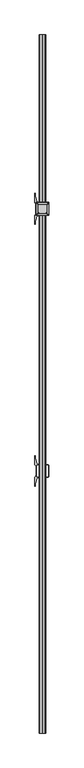
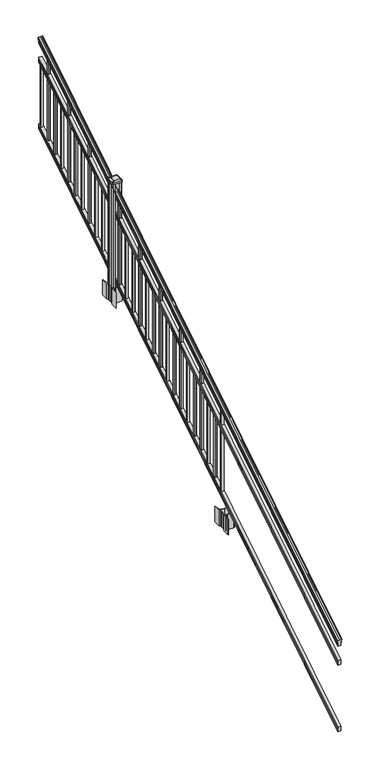
"""IFC4 building model written with IfcOpenShell, lengths in millimetres: railing geometry."""

import ifcopenshell
import ifcopenshell.guid

model = None  # the IFC model being written
_history = None  # IfcOwnerHistory: only IFC2X3 demands one
_inside = {}  # id of a spatial element -> (the spatial element, [elements in it])
_under = {}  # id of a project, library or spatial element -> (it, [spatial elements below it])
_declared = {}  # id of a project -> (the project, [libraries it declares])
_typed = {}  # id of a type object -> (the type object, [elements of that type])
_made_of = {}  # id of a material, layer set ... -> (it, [elements and type objects made of it])


def new_model(schema):
    """Start an empty IFC model of exactly this schema.

    Asked for "IFC4X3", IfcOpenShell would pick the latest addendum, in which some entities
    have other attributes; the version numbers below select the first issue.
    IFC2X3 requires an IfcOwnerHistory on every rooted entity: one is made here for all.
    """
    global model, _history
    if schema == "IFC4X3":
        model = ifcopenshell.file(schema_version=(4, 3, 0, 0))
    else:
        model = ifcopenshell.file(schema=schema)
    _inside.clear()
    _under.clear()
    _declared.clear()
    _typed.clear()
    _made_of.clear()
    _history = None
    if model.schema == "IFC2X3":
        org = make("IfcOrganization", Name="unknown")
        user = make(
            "IfcPersonAndOrganization",
            ThePerson=make("IfcPerson", FamilyName="unknown"),
            TheOrganization=org,
        )
        app = make(
            "IfcApplication",
            ApplicationDeveloper=org,
            Version="unknown",
            ApplicationFullName="unknown",
            ApplicationIdentifier="unknown",
        )
        _history = make(
            "IfcOwnerHistory",
            OwningUser=user,
            OwningApplication=app,
            ChangeAction="ADDED",
            CreationDate=0,
        )
    return model


def make(cls, **values):
    """One entity of the class cls with the attributes given. An attribute that is None is left unset."""
    return model.create_entity(
        cls, **{name: value for name, value in values.items() if value is not None}
    )


def rooted(cls, **values):
    """An entity with a GlobalId (a new one), such as an element, a storey or a relation."""
    return make(cls, GlobalId=ifcopenshell.guid.new(), OwnerHistory=_history, **values)


def si_unit(unit_type, name, prefix=None):
    """IfcSIUnit, for example si_unit("LENGTHUNIT", "METRE", prefix="MILLI")."""
    return make("IfcSIUnit", UnitType=unit_type, Prefix=prefix, Name=name)


def assignment(units):
    """IfcUnitAssignment: the units of a project."""
    return None if units is None else make("IfcUnitAssignment", Units=units)


def point(xyz):
    """IfcCartesianPoint."""
    return None if xyz is None else make("IfcCartesianPoint", Coordinates=xyz)


def direction(xyz):
    """IfcDirection."""
    return None if xyz is None else make("IfcDirection", DirectionRatios=xyz)


def frame(location, z_axis=None, x_axis=None):
    """IfcAxis2Placement3D, a coordinate frame: its origin and axes. An axis left out is left unset."""
    return make(
        "IfcAxis2Placement3D",
        Location=point(location),
        Axis=direction(z_axis),
        RefDirection=direction(x_axis),
    )


def frame_2d(location, x_axis=None):
    """IfcAxis2Placement2D, a coordinate frame in the plane: its origin and x axis."""
    return make(
        "IfcAxis2Placement2D", Location=point(location), RefDirection=direction(x_axis)
    )


def origin():
    """The frame at (0, 0, 0) with its axes left unset."""
    return frame((0.0, 0.0, 0.0))


def place(relative_to, where):
    """IfcLocalPlacement: puts the frame where relative to a parent placement (None: the world)."""
    return make(
        "IfcLocalPlacement", PlacementRelTo=relative_to, RelativePlacement=where
    )


def context(
    kind, dimensions, precision=None, world=None, true_north=None, identifier=None
):
    """IfcGeometricRepresentationContext, for example the 3D "Model" context."""
    return make(
        "IfcGeometricRepresentationContext",
        ContextIdentifier=identifier,
        ContextType=kind,
        CoordinateSpaceDimension=dimensions,
        Precision=precision,
        WorldCoordinateSystem=world,
        TrueNorth=true_north,
    )


def project(units=None, contexts=None):
    """IfcProject with its units and contexts."""
    return rooted(
        "IfcProject",
        Name="project",
        RepresentationContexts=contexts,
        UnitsInContext=assignment(units),
    )


def spatial(cls, under=None, at=None, **own):
    """A site, building, storey or space (cls), placed at a placement, below another one or the project."""
    s = rooted(cls, ObjectPlacement=at, **own)
    if under is not None:
        _under.setdefault(under.id(), (under, []))[1].append(s)
    return s


def polyline(points):
    """IfcPolyline through the points."""
    return make("IfcPolyline", Points=[point(p) for p in points])


def circle_curve(where, radius):
    """IfcCircle in the frame where."""
    return make("IfcCircle", Position=where, Radius=radius)


def ellipse_curve(where, semi_axis1, semi_axis2):
    """IfcEllipse in the frame where."""
    return make(
        "IfcEllipse", Position=where, SemiAxis1=semi_axis1, SemiAxis2=semi_axis2
    )


def trimmed(basis, trim1, trim2, sense, master):
    """IfcTrimmedCurve: the piece of a basis curve between two trims."""
    return make(
        "IfcTrimmedCurve",
        BasisCurve=basis,
        Trim1=trim1,
        Trim2=trim2,
        SenseAgreement=sense,
        MasterRepresentation=master,
    )


def segment(curve, same_sense, transition):
    """IfcCompositeCurveSegment."""
    return make(
        "IfcCompositeCurveSegment",
        Transition=transition,
        SameSense=same_sense,
        ParentCurve=curve,
    )


def composite_curve(segments, self_intersect=None):
    """IfcCompositeCurve: segments joined end to end."""
    return make("IfcCompositeCurve", Segments=segments, SelfIntersect=self_intersect)


def outline(outer, holes=None, kind="AREA"):
    """IfcArbitraryClosedProfileDef: a profile drawn as a closed curve; with holes, ...WithVoids."""
    if holes is None:
        return make("IfcArbitraryClosedProfileDef", ProfileType=kind, OuterCurve=outer)
    return make(
        "IfcArbitraryProfileDefWithVoids",
        ProfileType=kind,
        OuterCurve=outer,
        InnerCurves=holes,
    )


def extrude(swept, where, along, depth):
    """IfcExtrudedAreaSolid: the profile swept, set in the frame where, extruded along a direction by depth."""
    return make(
        "IfcExtrudedAreaSolid",
        SweptArea=swept,
        Position=where,
        ExtrudedDirection=direction(along),
        Depth=depth,
    )


def faces_of(points, faces, orient=None, outer=None):
    """IfcFace entities. A face is a list of loops; a loop is a list of indices into points, from 0.

    orient and outer hold one flag for each loop. By default every Orientation is true, the
    first loop of a face is its IfcFaceOuterBound and the others are IfcFaceBound.
    """
    made = []
    for i, loops in enumerate(faces):
        bounds = []
        for j, loop in enumerate(loops):
            is_outer = j == 0 if outer is None else outer[i][j]
            bounds.append(
                make(
                    "IfcFaceOuterBound" if is_outer else "IfcFaceBound",
                    Bound=make("IfcPolyLoop", Polygon=[points[k] for k in loop]),
                    Orientation=True if orient is None else orient[i][j],
                )
            )
        made.append(make("IfcFace", Bounds=bounds))
    return made


def faceted_brep(points, faces, orient=None, outer=None, voids=None):
    """IfcFacetedBrep: a solid bounded by flat faces; with voids (closed shells), ...WithVoids."""
    shared = [point(p) for p in points]
    hull = make("IfcClosedShell", CfsFaces=faces_of(shared, faces, orient, outer))
    if voids is None:
        return make("IfcFacetedBrep", Outer=hull)
    return make(
        "IfcFacetedBrepWithVoids",
        Outer=hull,
        Voids=[
            make(cls, CfsFaces=faces_of(shared, fs, o, b)) for cls, fs, o, b in voids
        ],
    )


def shape(context_of_items, identifier, shape_type, items):
    """IfcShapeRepresentation: the items that make up one representation, for example the "Body"."""
    return make(
        "IfcShapeRepresentation",
        ContextOfItems=context_of_items,
        RepresentationIdentifier=identifier,
        RepresentationType=shape_type,
        Items=items,
    )


def source(mapping_origin, context_of_items, identifier, shape_type, items):
    """IfcRepresentationMap: a shape defined once, which mapped items show again and again."""
    return make(
        "IfcRepresentationMap",
        MappingOrigin=mapping_origin,
        MappedRepresentation=shape(context_of_items, identifier, shape_type, items),
    )


def transform(
    local_origin,
    x_axis=None,
    y_axis=None,
    z_axis=None,
    scale=None,
    scale2=None,
    scale3=None,
    uniform=True,
):
    """IfcCartesianTransformationOperator3D, or its non-uniform kind. x_axis, y_axis, z_axis: its Axis1, 2, 3."""
    if uniform:
        return make(
            "IfcCartesianTransformationOperator3D",
            Axis1=direction(x_axis),
            Axis2=direction(y_axis),
            LocalOrigin=point(local_origin),
            Scale=scale,
            Axis3=direction(z_axis),
        )
    return make(
        "IfcCartesianTransformationOperator3DnonUniform",
        Axis1=direction(x_axis),
        Axis2=direction(y_axis),
        LocalOrigin=point(local_origin),
        Scale=scale,
        Axis3=direction(z_axis),
        Scale2=scale2,
        Scale3=scale3,
    )


def mapped(mapping_source, mapping_target):
    """IfcMappedItem: shows the shape of a source again, moved by a transform."""
    return make(
        "IfcMappedItem", MappingSource=mapping_source, MappingTarget=mapping_target
    )


def made_of(thing, what):
    """Note that an element or type object is made of a material, layer set ...; save() writes the relation."""
    if what is not None:
        _made_of.setdefault(what.id(), (what, []))[1].append(thing)
    return thing


def element(
    cls,
    number,
    at=None,
    inside=None,
    cuts=None,
    type_object=None,
    material=None,
    context=None,
    identifier="Body",
    shape_type=None,
    held_by="IfcProductDefinitionShape",
    body=None,
    shapes=None,
    **own,
):
    """One element of the class cls, such as IfcWall. Its Tag is "e" and its number.

    at: its placement. inside: the storey or other place that contains it. cuts: it is an
    opening in that element (IfcRelVoidsElement). A single representation is given by context,
    identifier, shape_type and body (its items); several are given by shapes. held_by: the class
    of the entity that holds the representations. save() writes the other relations.
    """
    e = rooted(cls, Tag="e%d" % number, ObjectPlacement=at, **own)
    if body is not None:
        shapes = [shape(context, identifier, shape_type, body)]
    if shapes is not None:
        e.Representation = make(held_by, Representations=shapes)
    if inside is not None:
        _inside.setdefault(inside.id(), (inside, []))[1].append(e)
    if cuts is not None:
        rooted(
            "IfcRelVoidsElement", RelatingBuildingElement=cuts, RelatedOpeningElement=e
        )
    if type_object is not None:
        _typed.setdefault(type_object.id(), (type_object, []))[1].append(e)
    return made_of(e, material)


def aggregate(whole, parts):
    """IfcRelAggregates: a whole, such as a stair, and the parts it consists of."""
    return rooted("IfcRelAggregates", RelatingObject=whole, RelatedObjects=parts)


def save(model, path):
    """Write the relations noted so far, then the file.

    IfcRelAggregates (storeys below a building ...), IfcRelContainedInSpatialStructure (elements
    in a storey), IfcRelDefinesByType, IfcRelAssociatesMaterial and IfcRelDeclares: one each for
    every whole, place, type object, material and project.
    """
    for whole, parts in _under.values():
        aggregate(whole, parts)
    for where, things in _inside.values():
        rooted(
            "IfcRelContainedInSpatialStructure",
            RelatedElements=things,
            RelatingStructure=where,
        )
    for kind, things in _typed.values():
        rooted("IfcRelDefinesByType", RelatedObjects=things, RelatingType=kind)
    for what, things in _made_of.values():
        rooted("IfcRelAssociatesMaterial", RelatedObjects=things, RelatingMaterial=what)
    for by, libraries in _declared.values():
        rooted("IfcRelDeclares", RelatingContext=by, RelatedDefinitions=libraries)
    model.write(path)


def plane_surface(at):
    """IfcPlane: the flat surface through the origin of the frame at, square to its z axis."""
    return make("IfcPlane", Position=at)


def cylinder_surface(at, radius):
    """IfcCylindricalSurface: all points at the distance radius from the z axis of the frame at."""
    return make("IfcCylindricalSurface", Position=at, Radius=radius)


def revolved_surface(curve, axis_point, axis_direction):
    """IfcSurfaceOfRevolution: the curve turned about the line through axis_point along axis_direction."""
    return make(
        "IfcSurfaceOfRevolution",
        SweptCurve=make("IfcArbitraryOpenProfileDef", ProfileType="CURVE", Curve=curve),
        AxisPosition=make("IfcAxis1Placement", Location=point(axis_point), Axis=direction(axis_direction)),
    )


def extruded_surface(curve, direction_of_extrusion, depth):
    """IfcSurfaceOfLinearExtrusion: the curve pushed along a direction by depth."""
    return make(
        "IfcSurfaceOfLinearExtrusion",
        SweptCurve=make("IfcArbitraryOpenProfileDef", ProfileType="CURVE", Curve=curve),
        ExtrudedDirection=direction(direction_of_extrusion),
        Depth=depth,
    )


def advanced_brep(points, edges, surfaces, faces):
    """IfcAdvancedBrep: a solid bounded by faces that lie on surfaces and meet in shared edges.

    An edge is (start, end): straight between two places in points (the first is 0);
    or (start, end, curve); or (start, end, curve, False) where it runs against its curve.
    A face is (place in surfaces, loops), or (place, loops, False) where it looks against
    its surface's normal. A loop lists edges by number (the first is 1), with a minus sign
    where the edge is run from its end to its start. The first loop is the outer one.
    """
    corners = [point(p) for p in points]
    vertices = [make("IfcVertexPoint", VertexGeometry=c) for c in corners]
    made = []
    for start, end, *more in edges:
        made.append(
            make(
                "IfcEdgeCurve",
                EdgeStart=vertices[start],
                EdgeEnd=vertices[end],
                EdgeGeometry=more[0] if more else make("IfcPolyline", Points=[corners[start], corners[end]]),
                SameSense=more[1] if len(more) > 1 else True,
            )
        )
    hull = []
    for where, loops, *sense in faces:
        bounds = []
        for j, loop in enumerate(loops):
            ring = [make("IfcOrientedEdge", EdgeElement=made[abs(k) - 1], Orientation=k > 0) for k in loop]
            bounds.append(
                make(
                    "IfcFaceOuterBound" if j == 0 else "IfcFaceBound",
                    Bound=make("IfcEdgeLoop", EdgeList=ring),
                    Orientation=True,
                )
            )
        hull.append(make("IfcAdvancedFace", Bounds=bounds, FaceSurface=surfaces[where], SameSense=sense[0] if sense else True))
    return make("IfcAdvancedBrep", Outer=make("IfcClosedShell", CfsFaces=hull))


def railing_641bce52(model_context):
    return source(origin(), model_context, "Body", "SolidModel", [
        advanced_brep(
        [(6977.4704765, -115957.2628453, 1133.2070492), (6977.4704765, -115957.2628453, 1135.4335658), (6978.6006628, -115957.2628453, 1137.2758543), (6978.6006628, -115957.2628453, 1145.7876358), (6977.9514064, -115957.2628453, 1148.6572588), (6980.4514064, -115957.2628453, 1153.7635509), (6981.8607489, -115957.2628453, 1155.7442021), (6982.2626479, -115957.2628453, 1157.0469579), (6982.2626478, -115957.2628453, 1158.6274846), (6980.7092005, -115957.2628453, 1160.4593836), (6960.0376478, -115957.2628453, 1160.4593836), (6939.366095, -115957.2628453, 1160.4593836), (6937.8126478, -115957.2628453, 1158.6274846), (6937.8126478, -115957.2628453, 1157.0469579), (6938.2145467, -115957.2628453, 1155.7442021), (6939.6238891, -115957.2628453, 1153.7635509), (6942.1238891, -115957.2628453, 1148.6572588), (6941.4746327, -115957.2628453, 1145.7876358), (6941.4746327, -115957.2628453, 1137.2758543), (6942.604819, -115957.2628453, 1135.4335658), (6942.604819, -115957.2628453, 1133.2070492), (6945.1786478, -115957.2628453, 1133.2070492), (6945.1786478, -115957.2628453, 1120.825537), (6944.1626478, -115957.2628453, 1119.6274214), (6944.1626478, -115957.2628453, 1104.9), (6975.9126478, -115957.2628453, 1104.9), (6975.9126478, -115957.2628453, 1119.441318), (6974.8966478, -115957.2628453, 1120.6394336), (6974.8966478, -115957.2628453, 1133.2070492), (6977.4704765, -111080.4628453, 4181.2070492), (6974.8966478, -111080.4628453, 4181.2070492), (6974.8966478, -111080.4628453, 4168.6394336), (6975.9126478, -111080.4628453, 4167.441318), (6975.9126478, -111080.4628453, 4152.9), (6944.1626478, -111080.4628453, 4152.9), (6944.1626478, -111080.4628453, 4167.6274214), (6945.1786478, -111080.4628453, 4168.825537), (6945.1786478, -111080.4628453, 4181.2070492), (6942.604819, -111080.4628453, 4181.2070492), (6942.604819, -111080.4628453, 4183.4335658), (6941.4746327, -111080.4628453, 4185.2758543), (6941.4746327, -111080.4628453, 4193.7876358), (6942.1238891, -111080.4628453, 4196.6572588), (6939.6238891, -111080.4628453, 4201.7635509), (6938.2145467, -111080.4628453, 4203.7442021), (6937.8126477, -111080.4628453, 4205.0469579), (6937.8126478, -111080.4628453, 4206.6274846), (6939.366095, -111080.4628453, 4208.4593836), (6960.0376478, -111080.4628453, 4208.4593836), (6980.7092005, -111080.4628453, 4208.4593836), (6982.2626478, -111080.4628453, 4206.6274846), (6982.2626478, -111080.4628453, 4205.0469579), (6981.8607489, -111080.4628453, 4203.7442021), (6980.4514064, -111080.4628453, 4201.7635509), (6977.9514064, -111080.4628453, 4196.6572588), (6978.6006628, -111080.4628453, 4193.7876358), (6978.6006628, -111080.4628453, 4185.2758543), (6977.4704765, -111080.4628453, 4183.4335658)],
        [
            (0, 1),
            (1, 2, ellipse_curve(frame((6971.1557232, -115957.2628453, 1142.2239405), z_axis=(0.0, -1.0, 0.0), x_axis=(0.0, 0.0, -1.0)), 10.0777926, 8.545951)),
            (2, 3, ellipse_curve(frame((6971.5927862, -115957.2628453, 1141.5317451), z_axis=(0.0, -1.0, 0.0), x_axis=(0.0, 0.0, -1.0)), 9.2955186, 7.882584)),
            (3, 4, ellipse_curve(frame((6982.1061103, -115957.2628453, 1148.4275077), z_axis=(0.0, 1.0, 0.0), x_axis=(0.0, 0.0, 1.0)), 4.9048088, 4.1592695)),
            (4, 5, ellipse_curve(frame((6983.3934169, -115957.2628453, 1148.3563208), z_axis=(0.0, 1.0, 0.0), x_axis=(0.0, 0.0, 1.0)), 6.4245301, 5.4479907)),
            (5, 6, ellipse_curve(frame((6982.1602584, -115957.2628453, 1153.7602333), z_axis=(0.0, 1.0, 0.0), x_axis=(0.0, 0.0, 1.0)), 2.0151625, 1.7088543)),
            (6, 7, ellipse_curve(frame((6980.5433583, -115957.2628453, 1157.0469579), z_axis=(0.0, -1.0, 0.0), x_axis=(0.0, 0.0, -1.0)), 2.0274681, 1.7192895)),
            (7, 8),
            (8, 9, ellipse_curve(frame((6980.7092005, -115957.2628453, 1158.6274846), z_axis=(0.0, -1.0, 0.0), x_axis=(0.0, 0.0, -1.0)), 1.831899, 1.5534472)),
            (9, 10),
            (10, 11),
            (11, 12, ellipse_curve(frame((6939.366095, -115957.2628453, 1158.6274846), z_axis=(0.0, -1.0, 0.0), x_axis=(0.0, 0.0, -1.0)), 1.831899, 1.5534472)),
            (12, 13),
            (13, 14, ellipse_curve(frame((6939.5319372, -115957.2628453, 1157.0469579), z_axis=(0.0, -1.0, 0.0), x_axis=(0.0, 0.0, -1.0)), 2.0274681, 1.7192895)),
            (14, 15, ellipse_curve(frame((6937.9150371, -115957.2628453, 1153.7602333), z_axis=(0.0, 1.0, 0.0), x_axis=(0.0, 0.0, 1.0)), 2.0151625, 1.7088543)),
            (15, 16, ellipse_curve(frame((6936.6818787, -115957.2628453, 1148.3563208), z_axis=(0.0, 1.0, 0.0), x_axis=(0.0, 0.0, 1.0)), 6.4245301, 5.4479907)),
            (16, 17, ellipse_curve(frame((6937.9691852, -115957.2628453, 1148.4275077), z_axis=(0.0, 1.0, 0.0), x_axis=(0.0, 0.0, 1.0)), 4.9048088, 4.1592695)),
            (17, 18, ellipse_curve(frame((6948.4825093, -115957.2628453, 1141.5317451), z_axis=(0.0, -1.0, 0.0), x_axis=(0.0, 0.0, -1.0)), 9.2955186, 7.882584)),
            (18, 19, ellipse_curve(frame((6948.9195723, -115957.2628453, 1142.2239405), z_axis=(0.0, -1.0, 0.0), x_axis=(0.0, 0.0, -1.0)), 10.0777926, 8.545951)),
            (19, 20),
            (20, 21, ellipse_curve(frame((6943.8917334, -115957.2628453, 1133.2070492), z_axis=(0.0, -1.0, 0.0), x_axis=(0.0, 0.0, -1.0)), 1.5175907, 1.2869144)),
            (21, 22),
            (22, 23),
            (23, 24),
            (24, 25),
            (25, 26),
            (26, 27),
            (27, 28),
            (28, 0, ellipse_curve(frame((6976.1835621, -115957.2628453, 1133.2070492), z_axis=(0.0, -1.0, 0.0), x_axis=(0.0, 0.0, -1.0)), 1.5175907, 1.2869144)),
            (29, 30, ellipse_curve(frame((6976.1835621, -111080.4628453, 4181.2070492), z_axis=(0.0, 1.0, 0.0), x_axis=(0.0, 0.0, -1.0)), 1.5175907, 1.2869144)),
            (30, 31),
            (31, 32),
            (32, 33),
            (33, 34),
            (34, 35),
            (35, 36),
            (36, 37),
            (37, 38, ellipse_curve(frame((6943.8917334, -111080.4628453, 4181.2070492), z_axis=(0.0, 1.0, 0.0), x_axis=(0.0, 0.0, -1.0)), 1.5175907, 1.2869144)),
            (38, 39),
            (39, 40, ellipse_curve(frame((6948.9195723, -111080.4628453, 4190.2239405), z_axis=(0.0, 1.0, 0.0), x_axis=(0.0, 0.0, -1.0)), 10.0777926, 8.545951)),
            (40, 41, ellipse_curve(frame((6948.4825093, -111080.4628453, 4189.5317451), z_axis=(0.0, 1.0, 0.0), x_axis=(0.0, 0.0, -1.0)), 9.2955186, 7.882584)),
            (41, 42, ellipse_curve(frame((6937.9691852, -111080.4628453, 4196.4275077), z_axis=(0.0, -1.0, 0.0), x_axis=(0.0, 0.0, 1.0)), 4.9048088, 4.1592695)),
            (42, 43, ellipse_curve(frame((6936.6818787, -111080.4628453, 4196.3563208), z_axis=(0.0, -1.0, 0.0), x_axis=(0.0, 0.0, 1.0)), 6.4245301, 5.4479907)),
            (43, 44, ellipse_curve(frame((6937.9150371, -111080.4628453, 4201.7602333), z_axis=(0.0, -1.0, 0.0), x_axis=(0.0, 0.0, 1.0)), 2.0151625, 1.7088543)),
            (44, 45, ellipse_curve(frame((6939.5319372, -111080.4628453, 4205.0469579), z_axis=(0.0, 1.0, 0.0), x_axis=(0.0, 0.0, -1.0)), 2.0274681, 1.7192895)),
            (45, 46),
            (46, 47, ellipse_curve(frame((6939.366095, -111080.4628453, 4206.6274846), z_axis=(0.0, 1.0, 0.0), x_axis=(0.0, 0.0, -1.0)), 1.831899, 1.5534472)),
            (47, 48),
            (48, 49),
            (49, 50, ellipse_curve(frame((6980.7092005, -111080.4628453, 4206.6274846), z_axis=(0.0, 1.0, 0.0), x_axis=(0.0, 0.0, -1.0)), 1.831899, 1.5534472)),
            (50, 51),
            (51, 52, ellipse_curve(frame((6980.5433583, -111080.4628453, 4205.0469579), z_axis=(0.0, 1.0, 0.0), x_axis=(0.0, 0.0, -1.0)), 2.0274681, 1.7192895)),
            (52, 53, ellipse_curve(frame((6982.1602584, -111080.4628453, 4201.7602333), z_axis=(0.0, -1.0, 0.0), x_axis=(0.0, 0.0, 1.0)), 2.0151625, 1.7088543)),
            (53, 54, ellipse_curve(frame((6983.3934169, -111080.4628453, 4196.3563208), z_axis=(0.0, -1.0, 0.0), x_axis=(0.0, 0.0, 1.0)), 6.4245301, 5.4479907)),
            (54, 55, ellipse_curve(frame((6982.1061103, -111080.4628453, 4196.4275077), z_axis=(0.0, -1.0, 0.0), x_axis=(0.0, 0.0, 1.0)), 4.9048088, 4.1592695)),
            (55, 56, ellipse_curve(frame((6971.5927862, -111080.4628453, 4189.5317451), z_axis=(0.0, 1.0, 0.0), x_axis=(0.0, 0.0, -1.0)), 9.2955186, 7.882584)),
            (56, 57, ellipse_curve(frame((6971.1557232, -111080.4628453, 4190.2239405), z_axis=(0.0, 1.0, 0.0), x_axis=(0.0, 0.0, -1.0)), 10.0777926, 8.545951)),
            (57, 29),
            (28, 30),
            (29, 0),
            (27, 31),
            (26, 32),
            (25, 33),
            (24, 34),
            (23, 35),
            (22, 36),
            (21, 37),
            (20, 38),
            (19, 39),
            (18, 40),
            (17, 41),
            (16, 42),
            (15, 43),
            (14, 44),
            (13, 45),
            (12, 46),
            (11, 47),
            (10, 48),
            (9, 49),
            (8, 50),
            (7, 51),
            (6, 52),
            (5, 53),
            (4, 54),
            (3, 55),
            (2, 56),
            (1, 57),
        ],
        [
            plane_surface(frame((6960.0376478, -115957.2628453, 1104.9), z_axis=(0.0, -1.0, 0.0), x_axis=(0.0, 0.0, 1.0))),
            plane_surface(frame((6960.0376478, -111080.4628453, 4152.9), z_axis=(0.0, 1.0, 0.0), x_axis=(0.0, 0.0, 1.0))),
            cylinder_surface(frame((6976.1835621, -115969.9851146, 1125.2556309), z_axis=(0.0, -0.8479983040051253, -0.5299989400031204), x_axis=(-1.0, 0.0, 0.0)), 1.2869144),
            plane_surface(frame((6974.8966478, -115957.2628453, 1120.6394336), z_axis=(1.0000000000000002, 0.0, 0.0), x_axis=(0.0, 0.8479983040051253, 0.5299989400031204))),
            plane_surface(frame((6975.9126478, -115957.2628453, 1119.441318), z_axis=(0.7071067811865389, -0.374765844497894, 0.5996253511967226), x_axis=(0.0, 0.8479983040051253, 0.5299989400031204))),
            plane_surface(frame((6975.9126478, -115957.2628453, 1104.9), z_axis=(1.0, 0.0, 0.0), x_axis=(0.0, 0.8479983040051252, 0.5299989400031204))),
            plane_surface(frame((6944.1626478, -115957.2628453, 1104.9), z_axis=(0.0, 0.5299989400031204, -0.8479983040051252), x_axis=(0.0, 0.8479983040051252, 0.5299989400031204))),
            plane_surface(frame((6944.1626478, -115957.2628453, 1119.6274214), z_axis=(-1.0000000000000002, 0.0, 0.0), x_axis=(0.0, 0.8479983040051253, 0.5299989400031204))),
            plane_surface(frame((6945.1786478, -115957.2628453, 1120.825537), z_axis=(-0.7071067811865437, -0.37476584449788986, 0.5996253511967191), x_axis=(0.0, 0.8479983040051252, 0.5299989400031204))),
            plane_surface(frame((6945.1786478, -115957.2628453, 1133.2070492), z_axis=(-1.0, 0.0, 0.0), x_axis=(0.0, 0.8479983040051252, 0.5299989400031204))),
            cylinder_surface(frame((6943.8917334, -115969.9851146, 1125.2556309), z_axis=(0.0, -0.8479983040051253, -0.5299989400031204), x_axis=(1.0, 0.0, 0.0)), 1.2869144),
            plane_surface(frame((6942.604819, -115957.2628453, 1135.4335658), z_axis=(-1.0, 0.0, 0.0), x_axis=(0.0, 0.8479983040051252, 0.5299989400031204))),
            cylinder_surface(frame((6948.9195723, -115974.03765, 1131.7396876), z_axis=(0.0, -0.8479983040051253, -0.5299989400031204), x_axis=(1.0, 0.0, 0.0)), 8.545951),
            cylinder_surface(frame((6948.4825093, -115973.7265509, 1131.241929), z_axis=(0.0, -0.8479983040051253, -0.5299989400031204), x_axis=(1.0, 0.0, 0.0)), 7.882584),
            revolved_surface(polyline([(6942.1284547, -111078.25843685034, 4197.805262980552), (6942.1284547, -115959.46725374945, 1147.0497524190953)]), (6937.9691852, -115976.8257701, 1136.2006797), (0.0, 0.8479983040051253, 0.5299989400031204)),
            revolved_surface(polyline([(6942.129869400001, -111077.57541603575, 4198.160964077185), (6942.129869400001, -115960.15027455281, 1146.551677504493)]), (6936.6818787, -115976.793776, 1136.1494891), (0.0, 0.8479983040051253, 0.5299989400031204)),
            revolved_surface(polyline([(6939.6238914, -111079.55715429978, 4202.326290199651), (6939.6238914, -115958.16853632247, 1153.1941764359478)]), (6937.9150371, -115979.2225007, 1140.0354487), (0.0, 0.8479983040051253, 0.5299989400031204)),
            cylinder_surface(frame((6939.5319372, -115980.6996803, 1142.398936), z_axis=(0.0, -0.8479983040051253, -0.5299989400031204), x_axis=(1.0, 0.0, 0.0)), 1.7192895),
            plane_surface(frame((6937.8126478, -115957.2628453, 1158.6274846), z_axis=(-1.0, 0.0, 0.0), x_axis=(0.0, 0.8479983040051252, 0.5299989400031204))),
            cylinder_surface(frame((6939.366095, -115981.4100294, 1143.5354945), z_axis=(0.0, -0.8479983040051253, -0.5299989400031204), x_axis=(1.0, 0.0, 0.0)), 1.5534472),
            plane_surface(frame((6960.0376478, -115957.2628453, 1160.4593836), z_axis=(0.0, -0.5299989400031204, 0.8479983040051252), x_axis=(0.0, 0.8479983040051252, 0.5299989400031204))),
            plane_surface(frame((6980.7092005, -115957.2628453, 1160.4593836), z_axis=(0.0, -0.5299989400031204, 0.8479983040051252), x_axis=(0.0, 0.8479983040051252, 0.5299989400031204))),
            cylinder_surface(frame((6980.7092005, -115981.4100294, 1143.5354945), z_axis=(0.0, -0.8479983040051253, -0.5299989400031204), x_axis=(-1.0, 0.0, 0.0)), 1.5534472),
            plane_surface(frame((6982.2626478, -115957.2628453, 1157.0469579), z_axis=(1.0000000000000002, 0.0, 0.0), x_axis=(0.0, 0.8479983040051253, 0.5299989400031204))),
            cylinder_surface(frame((6980.5433583, -115980.6996803, 1142.398936), z_axis=(0.0, -0.8479983040051253, -0.5299989400031204), x_axis=(-1.0, 0.0, 0.0)), 1.7192895),
            revolved_surface(polyline([(6980.4514041, -111079.55715429978, 4202.326290199651), (6980.4514041, -115958.16853632247, 1153.1941764359478)]), (6982.1602584, -115979.2225007, 1140.0354487), (0.0, 0.8479983040051253, 0.5299989400031204)),
            revolved_surface(polyline([(6977.9454262, -111077.57541603575, 4198.160964077185), (6977.9454262, -115960.15027455281, 1146.551677504493)]), (6983.3934169, -115976.793776, 1136.1494891), (0.0, 0.8479983040051253, 0.5299989400031204)),
            revolved_surface(polyline([(6977.9468408, -111078.25843685034, 4197.805262980552), (6977.9468408, -115959.46725374945, 1147.0497524190953)]), (6982.1061103, -115976.8257701, 1136.2006797), (0.0, 0.8479983040051253, 0.5299989400031204)),
            cylinder_surface(frame((6971.5927862, -115973.7265509, 1131.241929), z_axis=(0.0, -0.8479983040051253, -0.5299989400031204), x_axis=(-1.0, 0.0, 0.0)), 7.882584),
            cylinder_surface(frame((6971.1557232, -115974.03765, 1131.7396876), z_axis=(0.0, -0.8479983040051253, -0.5299989400031204), x_axis=(-1.0, 0.0, 0.0)), 8.545951),
            plane_surface(frame((6977.4704765, -115957.2628453, 1133.2070492), z_axis=(1.0, 0.0, 0.0), x_axis=(0.0, 0.8479983040051252, 0.5299989400031204))),
        ],
        [
            (0, [[1, 2, 3, 4, 5, 6, 7, 8, 9, 10, 11, 12, 13, 14, 15, 16, 17, 18, 19, 20, 21, 22, 23, 24, 25, 26, 27, 28, 29]]),
            (1, [[30, 31, 32, 33, 34, 35, 36, 37, 38, 39, 40, 41, 42, 43, 44, 45, 46, 47, 48, 49, 50, 51, 52, 53, 54, 55, 56, 57, 58]]),
            (2, [[-29, 59, -30, 60]]),
            (3, [[-28, 61, -31, -59]]),
            (4, [[-27, 62, -32, -61]]),
            (5, [[-26, 63, -33, -62]]),
            (6, [[-25, 64, -34, -63]]),
            (7, [[-24, 65, -35, -64]]),
            (8, [[-23, 66, -36, -65]]),
            (9, [[-22, 67, -37, -66]]),
            (10, [[-21, 68, -38, -67]]),
            (11, [[-20, 69, -39, -68]]),
            (12, [[-19, 70, -40, -69]]),
            (13, [[-18, 71, -41, -70]]),
            (14, [[-17, 72, -42, -71]]),
            (15, [[-16, 73, -43, -72]]),
            (16, [[-15, 74, -44, -73]]),
            (17, [[-14, 75, -45, -74]]),
            (18, [[-13, 76, -46, -75]]),
            (19, [[-12, 77, -47, -76]]),
            (20, [[-11, 78, -48, -77]]),
            (21, [[-10, 79, -49, -78]]),
            (22, [[-9, 80, -50, -79]]),
            (23, [[-8, 81, -51, -80]]),
            (24, [[-7, 82, -52, -81]]),
            (25, [[-6, 83, -53, -82]]),
            (26, [[-5, 84, -54, -83]]),
            (27, [[-4, 85, -55, -84]]),
            (28, [[-3, 86, -56, -85]]),
            (29, [[-2, 87, -57, -86]]),
            (30, [[-1, -60, -58, -87]]),
        ],
    ),
        faceted_brep([(6975.9501347, -115957.2628453, 929.2045079), (6974.9341347, -115957.2628453, 930.738026), (6974.9341347, -115957.2628453, 942.9545048), (6975.9501347, -115957.2628453, 944.5444579), (6975.9501347, -115957.2628453, 959.3244744), (6944.2001347, -115957.2628453, 959.3244744), (6944.2001347, -115957.2628453, 944.5248272), (6945.2161347, -115957.2628453, 942.9348741), (6945.2161347, -115957.2628453, 930.7748303), (6944.2001347, -115957.2628453, 929.1848772), (6944.2001347, -115957.2628453, 914.4), (6975.9501347, -115957.2628453, 914.4), (6975.9501347, -111080.4628453, 3977.2045079), (6975.9501347, -111080.4628453, 3962.4), (6944.2001347, -111080.4628453, 3962.4), (6944.2001347, -111080.4628453, 3977.1848772), (6945.2161347, -111080.4628453, 3978.7748303), (6945.2161347, -111080.4628453, 3990.9348741), (6944.2001347, -111080.4628453, 3992.5248272), (6944.2001347, -111080.4628453, 4007.3244744), (6975.9501347, -111080.4628453, 4007.3244744), (6975.9501347, -111080.4628453, 3992.5444579), (6974.9341347, -111080.4628453, 3990.9545048), (6974.9341347, -111080.4628453, 3978.738026)], [[[0, 1, 2, 3, 4, 5, 6, 7, 8, 9, 10, 11]], [[12, 13, 14, 15, 16, 17, 18, 19, 20, 21, 22, 23]], [[0, 11, 13, 12]], [[11, 10, 14, 13]], [[10, 9, 15, 14]], [[9, 8, 16, 15]], [[8, 7, 17, 16]], [[7, 6, 18, 17]], [[6, 5, 19, 18]], [[5, 4, 20, 19]], [[4, 3, 21, 20]], [[3, 2, 22, 21]], [[2, 1, 23, 22]], [[1, 0, 12, 23]]]),
        faceted_brep([(6975.9501347, -115957.2628453, 268.8045079), (6974.9341347, -115957.2628453, 270.338026), (6974.9341347, -115957.2628453, 282.5545048), (6975.9501347, -115957.2628453, 284.1444579), (6975.9501347, -115957.2628453, 298.9244744), (6944.2001347, -115957.2628453, 298.9244744), (6944.2001347, -115957.2628453, 284.1248272), (6945.2161347, -115957.2628453, 282.5348741), (6945.2161347, -115957.2628453, 270.3748303), (6944.2001347, -115957.2628453, 268.7848772), (6944.2001347, -115957.2628453, 254.0), (6975.9501347, -115957.2628453, 254.0), (6975.9501347, -111080.4628453, 3316.8045079), (6975.9501347, -111080.4628453, 3302.0), (6944.2001347, -111080.4628453, 3302.0), (6944.2001347, -111080.4628453, 3316.7848772), (6945.2161347, -111080.4628453, 3318.3748303), (6945.2161347, -111080.4628453, 3330.5348741), (6944.2001347, -111080.4628453, 3332.1248272), (6944.2001347, -111080.4628453, 3346.9244744), (6975.9501347, -111080.4628453, 3346.9244744), (6975.9501347, -111080.4628453, 3332.1444579), (6974.9341347, -111080.4628453, 3330.5545048), (6974.9341347, -111080.4628453, 3318.338026)], [[[0, 1, 2, 3, 4, 5, 6, 7, 8, 9, 10, 11]], [[12, 13, 14, 15, 16, 17, 18, 19, 20, 21, 22, 23]], [[2, 1, 23, 22]], [[4, 3, 21, 20]], [[6, 5, 19, 18]], [[0, 11, 13, 12]], [[1, 0, 12, 23]], [[3, 2, 22, 21]], [[5, 4, 20, 19]], [[7, 6, 18, 17]], [[8, 7, 17, 16]], [[9, 8, 16, 15]], [[10, 9, 15, 14]], [[11, 10, 14, 13]]]),
        extrude(outline(polyline([(6969.5626478, -111111.5778453), (6950.5126478, -111111.5778453), (6950.5126478, -111092.5278453), (6969.5626478, -111092.5278453), (6969.5626478, -111111.5778453)]), holes=[polyline([(6969.1657728, -111111.1809703), (6969.1657728, -111092.9247203), (6950.9095228, -111092.9247203), (6950.9095228, -111111.1809703), (6969.1657728, -111111.1809703)])]), frame((0.0, 0.0, 3326.6021281), z_axis=(0.0, 0.0, 1.0), x_axis=(1.0, 0.0, 0.0)), (0.0, 0.0, 1.0), 622.3041219),
        extrude(outline(polyline([(6969.5626478, -111222.8298453), (6950.5126478, -111222.8298453), (6950.5126478, -111203.7798453), (6969.5626478, -111203.7798453), (6969.5626478, -111222.8298453)]), holes=[polyline([(6969.1657728, -111222.4329703), (6969.1657728, -111204.1767203), (6950.9095228, -111204.1767203), (6950.9095228, -111222.4329703), (6969.1657728, -111222.4329703)])]), frame((0.0, 0.0, 3257.0696281), z_axis=(0.0, 0.0, 1.0), x_axis=(1.0, 0.0, 0.0)), (0.0, 0.0, 1.0), 812.8041219),
        extrude(outline(polyline([(6969.5626478, -111334.0818453), (6950.5126478, -111334.0818453), (6950.5126478, -111315.0318453), (6969.5626478, -111315.0318453), (6969.5626478, -111334.0818453)]), holes=[polyline([(6969.1657728, -111333.6849703), (6969.1657728, -111315.4287203), (6950.9095228, -111315.4287203), (6950.9095228, -111333.6849703), (6969.1657728, -111333.6849703)])]), frame((0.0, 0.0, 3187.5371281), z_axis=(0.0, 0.0, 1.0), x_axis=(1.0, 0.0, 0.0)), (0.0, 0.0, 1.0), 622.3041219),
        extrude(outline(polyline([(6969.5626478, -111445.3338453), (6950.5126478, -111445.3338453), (6950.5126478, -111426.2838453), (6969.5626478, -111426.2838453), (6969.5626478, -111445.3338453)]), holes=[polyline([(6969.1657728, -111444.9369703), (6969.1657728, -111426.6807203), (6950.9095228, -111426.6807203), (6950.9095228, -111444.9369703), (6969.1657728, -111444.9369703)])]), frame((0.0, 0.0, 3118.0046281), z_axis=(0.0, 0.0, 1.0), x_axis=(1.0, 0.0, 0.0)), (0.0, 0.0, 1.0), 622.3041219),
        extrude(outline(polyline([(6969.5626478, -111556.5858453), (6950.5126478, -111556.5858453), (6950.5126478, -111537.5358453), (6969.5626478, -111537.5358453), (6969.5626478, -111556.5858453)]), holes=[polyline([(6969.1657728, -111556.1889703), (6969.1657728, -111537.9327203), (6950.9095228, -111537.9327203), (6950.9095228, -111556.1889703), (6969.1657728, -111556.1889703)])]), frame((0.0, 0.0, 3048.4721281), z_axis=(0.0, 0.0, 1.0), x_axis=(1.0, 0.0, 0.0)), (0.0, 0.0, 1.0), 812.8041219),
        extrude(outline(polyline([(6969.5626478, -111667.8378453), (6950.5126478, -111667.8378453), (6950.5126478, -111648.7878453), (6969.5626478, -111648.7878453), (6969.5626478, -111667.8378453)]), holes=[polyline([(6969.1657728, -111667.4409703), (6969.1657728, -111649.1847203), (6950.9095228, -111649.1847203), (6950.9095228, -111667.4409703), (6969.1657728, -111667.4409703)])]), frame((0.0, 0.0, 2978.9396281), z_axis=(0.0, 0.0, 1.0), x_axis=(1.0, 0.0, 0.0)), (0.0, 0.0, 1.0), 622.3041219),
        extrude(outline(polyline([(6969.5626478, -111779.0898453), (6950.5126478, -111779.0898453), (6950.5126478, -111760.0398453), (6969.5626478, -111760.0398453), (6969.5626478, -111779.0898453)]), holes=[polyline([(6969.1657728, -111778.6929703), (6969.1657728, -111760.4367203), (6950.9095228, -111760.4367203), (6950.9095228, -111778.6929703), (6969.1657728, -111778.6929703)])]), frame((0.0, 0.0, 2909.4071281), z_axis=(0.0, 0.0, 1.0), x_axis=(1.0, 0.0, 0.0)), (0.0, 0.0, 1.0), 622.3041219),
        extrude(outline(polyline([(6969.5626478, -111890.3418453), (6950.5126478, -111890.3418453), (6950.5126478, -111871.2918453), (6969.5626478, -111871.2918453), (6969.5626478, -111890.3418453)]), holes=[polyline([(6969.1657728, -111889.9449703), (6969.1657728, -111871.6887203), (6950.9095228, -111871.6887203), (6950.9095228, -111889.9449703), (6969.1657728, -111889.9449703)])]), frame((0.0, 0.0, 2839.8746281), z_axis=(0.0, 0.0, 1.0), x_axis=(1.0, 0.0, 0.0)), (0.0, 0.0, 1.0), 812.8041219),
        extrude(outline(polyline([(6969.5626478, -112001.5938453), (6950.5126478, -112001.5938453), (6950.5126478, -111982.5438453), (6969.5626478, -111982.5438453), (6969.5626478, -112001.5938453)]), holes=[polyline([(6969.1657728, -112001.1969703), (6969.1657728, -111982.9407203), (6950.9095228, -111982.9407203), (6950.9095228, -112001.1969703), (6969.1657728, -112001.1969703)])]), frame((0.0, 0.0, 2770.3421281), z_axis=(0.0, 0.0, 1.0), x_axis=(1.0, 0.0, 0.0)), (0.0, 0.0, 1.0), 622.3041219),
        extrude(outline(polyline([(6969.5626478, -112112.8458453), (6950.5126478, -112112.8458453), (6950.5126478, -112093.7958453), (6969.5626478, -112093.7958453), (6969.5626478, -112112.8458453)]), holes=[polyline([(6969.1657728, -112112.4489703), (6969.1657728, -112094.1927203), (6950.9095228, -112094.1927203), (6950.9095228, -112112.4489703), (6969.1657728, -112112.4489703)])]), frame((0.0, 0.0, 2700.8096281), z_axis=(0.0, 0.0, 1.0), x_axis=(1.0, 0.0, 0.0)), (0.0, 0.0, 1.0), 622.3041219),
        extrude(outline(polyline([(6969.5626478, -112224.0978453), (6950.5126478, -112224.0978453), (6950.5126478, -112205.0478453), (6969.5626478, -112205.0478453), (6969.5626478, -112224.0978453)]), holes=[polyline([(6969.1657728, -112223.7009703), (6969.1657728, -112205.4447203), (6950.9095228, -112205.4447203), (6950.9095228, -112223.7009703), (6969.1657728, -112223.7009703)])]), frame((0.0, 0.0, 2631.2771281), z_axis=(0.0, 0.0, 1.0), x_axis=(1.0, 0.0, 0.0)), (0.0, 0.0, 1.0), 812.8041219),
        extrude(outline(composite_curve([segment(polyline([(7002.7731478, -112312.9849401), (7004.3606478, -112313.7469401), (7004.3606478, -112336.5488682), (7000.9876707, -112339.9218453), (6939.5279999, -112339.9218453), (6939.5279999, -112340.8425953), (6934.2104561, -112340.8425953), (6934.2104561, -112342.29685), (6929.1259264, -112342.29685), (6929.1259264, -112343.5808738), (6927.4586541, -112343.5808738)]), True, "CONTINUOUS"), segment(trimmed(circle_curve(frame_2d((6927.4586541, -112350.6403337)), 7.0594599), [point((6927.4586541, -112343.5808738))], [point((6920.6913912, -112348.630327))], True, "CARTESIAN"), True, "CONTINUOUS"), segment(polyline([(6920.6913912, -112348.630327), (6912.8171969, -112375.1410561)]), True, "CONTINUOUS"), segment(trimmed(circle_curve(frame_2d((6967.6017103, -112391.4131057)), 57.15), [point((6912.8171969, -112375.1410561))], [point((6910.4517103, -112391.4131057))], True, "CARTESIAN"), True, "CONTINUOUS"), segment(polyline([(6910.4517103, -112391.4131057), (6910.4517103, -112403.4218453), (6907.4517103, -112403.4218453), (6907.4517103, -112338.3343453), (6915.7146478, -112326.996054), (6915.7146478, -112313.7469401), (6917.3021478, -112312.9849401), (6917.3021478, -112278.2127504), (6915.7146478, -112277.4507504), (6915.7146478, -112264.2016366), (6907.4517103, -112252.8633453), (6907.4517103, -112187.7758453), (6910.4517103, -112187.7758453), (6910.4517103, -112199.7845848)]), True, "CONTINUOUS"), segment(trimmed(circle_curve(frame_2d((6967.6017103, -112199.7845848)), 57.15), [point((6910.4517103, -112199.7845848))], [point((6912.8171969, -112216.0566345))], True, "CARTESIAN"), True, "CONTINUOUS"), segment(polyline([(6912.8171969, -112216.0566345), (6920.6913912, -112242.5673636)]), True, "CONTINUOUS"), segment(trimmed(circle_curve(frame_2d((6927.4586541, -112240.5573569)), 7.0594599), [point((6920.6913912, -112242.5673636))], [point((6927.4586541, -112247.6168168))], True, "CARTESIAN"), True, "CONTINUOUS"), segment(polyline([(6927.4586541, -112247.6168168), (6929.1259264, -112247.6168168), (6929.1259264, -112248.9008406), (6934.2104561, -112248.9008406), (6934.2104561, -112250.3550953), (6939.5279999, -112250.3550953), (6939.5279999, -112251.2758453), (7000.9876707, -112251.2758453), (7004.3606478, -112254.6488224), (7004.3606478, -112277.4507504), (7002.7731478, -112278.2127504), (7002.7731478, -112312.9849401)]), True, "CONTINUOUS")], self_intersect=False), holes=[polyline([(6918.7626478, -112255.9113453), (6918.7626478, -112335.2863453), (6920.3501478, -112336.8738453), (6957.2744304, -112336.8738453), (6999.7251478, -112336.8738453), (7001.3126478, -112335.2863453), (7001.3126478, -112255.9113453), (6999.7251478, -112254.3238453), (6957.2744304, -112254.3238453), (6920.3501478, -112254.3238453), (6918.7626478, -112255.9113453)])]), frame((0.0, 0.0, 2326.64), z_axis=(0.0, 0.0, 1.0), x_axis=(1.0, 0.0, 0.0)), (0.0, 0.0, 1.0), 152.4),
        advanced_brep(
        [(6934.2407728, -112324.5707203, 3538.979263), (6985.8345228, -112324.5707203, 3538.979263), (6989.0095228, -112321.3957203, 3538.979263), (6989.0095228, -112269.8019703, 3538.979263), (6985.8345228, -112266.6269703, 3538.979263), (6934.2407728, -112266.6269703, 3538.979263), (6931.0657728, -112269.8019703, 3538.979263), (6931.0657728, -112321.3957203, 3538.979263), (6917.9688978, -112340.8425953, 3527.676263), (6914.7938978, -112337.6675953, 3527.676263), (6914.7938978, -112253.5300953, 3527.676263), (6917.9688978, -112250.3550953, 3527.676263), (7002.1063978, -112250.3550953, 3527.676263), (7005.2813978, -112253.5300953, 3527.676263), (7005.2813978, -112337.6675953, 3527.676263), (7002.1063978, -112340.8425953, 3527.676263)],
        [
            (0, 1),
            (1, 2, circle_curve(frame((6985.8345228, -112321.3957203, 3538.979263), z_axis=(0.0, 0.0, 1.0), x_axis=(0.0, 1.0, 0.0)), 3.175)),
            (2, 3),
            (3, 4, circle_curve(frame((6985.8345228, -112269.8019703, 3538.979263), z_axis=(0.0, 0.0, 1.0), x_axis=(0.0, 1.0, 0.0)), 3.175)),
            (4, 5),
            (5, 6, circle_curve(frame((6934.2407728, -112269.8019703, 3538.979263), z_axis=(0.0, 0.0, 1.0), x_axis=(0.0, 1.0, 0.0)), 3.175)),
            (6, 7),
            (7, 0, circle_curve(frame((6934.2407728, -112321.3957203, 3538.979263), z_axis=(0.0, 0.0, 1.0), x_axis=(0.0, 1.0, 0.0)), 3.175)),
            (8, 9, circle_curve(frame((6917.9688978, -112337.6675953, 3527.676263), z_axis=(0.0, 0.0, -1.0), x_axis=(0.0, 1.0, 0.0)), 3.175)),
            (9, 10),
            (10, 11, circle_curve(frame((6917.9688978, -112253.5300953, 3527.676263), z_axis=(0.0, 0.0, -1.0), x_axis=(0.0, 1.0, 0.0)), 3.175)),
            (11, 12),
            (12, 13, circle_curve(frame((7002.1063978, -112253.5300953, 3527.676263), z_axis=(0.0, 0.0, -1.0), x_axis=(0.0, 1.0, 0.0)), 3.175)),
            (13, 14),
            (14, 15, circle_curve(frame((7002.1063978, -112337.6675953, 3527.676263), z_axis=(0.0, 0.0, -1.0), x_axis=(0.0, 1.0, 0.0)), 3.175)),
            (15, 8),
            (8, 0),
            (7, 9),
            (6, 10),
            (5, 11),
            (4, 12),
            (3, 13),
            (2, 14),
            (1, 15),
        ],
        [
            plane_surface(frame((6960.0376478, -112295.5988453, 3538.979263), z_axis=(0.0, 0.0, 1.0), x_axis=(-1.0, 0.0, 0.0))),
            plane_surface(frame((6960.0376478, -112295.5988453, 3527.676263), z_axis=(0.0, 0.0, -1.0), x_axis=(-1.0, 0.0, 0.0))),
            extruded_surface(trimmed(circle_curve(frame((6934.2407728, -112321.3957203, 3538.979263), z_axis=(0.0, 0.0, -1.0), x_axis=(0.0, 1.0, 0.0)), 3.175), [point((6934.2407728, -112324.5707203, 3538.979263))], [point((6931.0657728, -112321.3957203, 3538.979263))], True, "CARTESIAN"), (-16.271874999999454, -16.27187499999127, -11.303000000000338), 25.637972638860422),
            plane_surface(frame((6914.7938978, -112295.5988453, 3527.676263), z_axis=(-0.5705009161540778, 0.0, 0.8212969649690408), x_axis=(0.0, 1.0, 0.0))),
            extruded_surface(trimmed(circle_curve(frame((6934.2407728, -112269.8019703, 3538.979263), z_axis=(0.0, 0.0, -1.0), x_axis=(0.0, 1.0, 0.0)), 3.175), [point((6931.0657728, -112269.8019703, 3538.979263))], [point((6934.2407728, -112266.6269703, 3538.979263))], True, "CARTESIAN"), (-16.271874999999454, 16.27187500000582, -11.303000000000338), 25.63797263886966),
            plane_surface(frame((6960.0376478, -112250.3550953, 3527.676263), z_axis=(0.0, 0.5705009161540291, 0.8212969649690747), x_axis=(1.0, 0.0, 0.0))),
            extruded_surface(trimmed(circle_curve(frame((6985.8345228, -112269.8019703, 3538.979263), z_axis=(0.0, 0.0, -1.0), x_axis=(0.0, 1.0, 0.0)), 3.175), [point((6985.8345228, -112266.6269703, 3538.979263))], [point((6989.0095228, -112269.8019703, 3538.979263))], True, "CARTESIAN"), (16.271875000000364, 16.27187500000582, -11.303000000000338), 25.637972638870238),
            plane_surface(frame((7005.2813978, -112295.5988453, 3527.676263), z_axis=(0.5705009161540142, 0.0, 0.8212969649690851), x_axis=(0.0, -1.0, 0.0))),
            extruded_surface(trimmed(circle_curve(frame((6985.8345228, -112321.3957203, 3538.979263), z_axis=(0.0, 0.0, -1.0), x_axis=(0.0, 1.0, 0.0)), 3.175), [point((6989.0095228, -112321.3957203, 3538.979263))], [point((6985.8345228, -112324.5707203, 3538.979263))], True, "CARTESIAN"), (16.271875000000364, -16.27187499999127, -11.303000000000338), 25.637972638861),
            plane_surface(frame((6960.0376478, -112340.8425953, 3527.676263), z_axis=(0.0, -0.570500916154034, 0.8212969649690713), x_axis=(-1.0, 0.0, 0.0))),
        ],
        [
            (0, [[1, 2, 3, 4, 5, 6, 7, 8]]),
            (1, [[9, 10, 11, 12, 13, 14, 15, 16]]),
            (2, [[17, -8, 18, -9]]),
            (3, [[-18, -7, 19, -10]]),
            (4, [[-19, -6, 20, -11]]),
            (5, [[-20, -5, 21, -12]]),
            (6, [[-21, -4, 22, -13]]),
            (7, [[-22, -3, 23, -14]]),
            (8, [[-23, -2, 24, -15]]),
            (9, [[-24, -1, -17, -16]]),
        ],
    ),
        extrude(outline(composite_curve([segment(trimmed(circle_curve(frame_2d((6917.9688978, -112337.6675953)), 3.175), [point((6917.9688978, -112340.8425953))], [point((6914.7938978, -112337.6675953))], False, "CARTESIAN"), True, "CONTINUOUS"), segment(polyline([(6914.7938978, -112337.6675953), (6914.7938978, -112253.5300953)]), True, "CONTINUOUS"), segment(trimmed(circle_curve(frame_2d((6917.9688978, -112253.5300953)), 3.175), [point((6914.7938978, -112253.5300953))], [point((6917.9688978, -112250.3550953))], False, "CARTESIAN"), True, "CONTINUOUS"), segment(polyline([(6917.9688978, -112250.3550953), (7002.1063978, -112250.3550953)]), True, "CONTINUOUS"), segment(trimmed(circle_curve(frame_2d((7002.1063978, -112253.5300953)), 3.175), [point((7002.1063978, -112250.3550953))], [point((7005.2813978, -112253.5300953))], False, "CARTESIAN"), True, "CONTINUOUS"), segment(polyline([(7005.2813978, -112253.5300953), (7005.2813978, -112337.6675953)]), True, "CONTINUOUS"), segment(trimmed(circle_curve(frame_2d((7002.1063978, -112337.6675953)), 3.175), [point((7005.2813978, -112337.6675953))], [point((7002.1063978, -112340.8425953))], False, "CARTESIAN"), True, "CONTINUOUS"), segment(polyline([(7002.1063978, -112340.8425953), (6917.9688978, -112340.8425953)]), True, "CONTINUOUS")], self_intersect=False)), frame((0.0, 0.0, 3510.404263), z_axis=(0.0, 0.0, 1.0), x_axis=(1.0, 0.0, 0.0)), (0.0, 0.0, 1.0), 17.272),
        extrude(outline(polyline([(6920.3501478, -112336.8738453), (6918.7626478, -112335.2863453), (6918.7626478, -112315.6648453), (6920.3501478, -112314.9028453), (6920.3501478, -112276.2948453), (6918.7626478, -112275.5328453), (6918.7626478, -112255.9113453), (6920.3501478, -112254.3238453), (6939.9716478, -112254.3238453), (6940.7336478, -112255.9113453), (6979.3416478, -112255.9113453), (6980.1036478, -112254.3238453), (6999.7251478, -112254.3238453), (7001.3126478, -112255.9113453), (7001.3126478, -112275.5328453), (6999.7251478, -112276.2948453), (6999.7251478, -112314.9028453), (7001.3126478, -112315.6648453), (7001.3126478, -112335.2863453), (6999.7251478, -112336.8738453), (6980.1036478, -112336.8738453), (6979.3416478, -112335.2863453), (6940.7336478, -112335.2863453), (6939.9716478, -112336.8738453), (6920.3501478, -112336.8738453)])), frame((0.0, 0.0, 2479.04), z_axis=(0.0, 0.0, 1.0), x_axis=(1.0, 0.0, 0.0)), (0.0, 0.0, 1.0), 1031.364263),
        extrude(outline(polyline([(6969.5626478, -112386.1498453), (6950.5126478, -112386.1498453), (6950.5126478, -112367.0998453), (6969.5626478, -112367.0998453), (6969.5626478, -112386.1498453)]), holes=[polyline([(6969.1657728, -112385.7529703), (6969.1657728, -112367.4967203), (6950.9095228, -112367.4967203), (6950.9095228, -112385.7529703), (6969.1657728, -112385.7529703)])]), frame((0.0, 0.0, 2529.9946281), z_axis=(0.0, 0.0, 1.0), x_axis=(1.0, 0.0, 0.0)), (0.0, 0.0, 1.0), 812.8041219),
        extrude(outline(polyline([(6969.5626478, -112497.4018453), (6950.5126478, -112497.4018453), (6950.5126478, -112478.3518453), (6969.5626478, -112478.3518453), (6969.5626478, -112497.4018453)]), holes=[polyline([(6969.1657728, -112497.0049703), (6969.1657728, -112478.7487203), (6950.9095228, -112478.7487203), (6950.9095228, -112497.0049703), (6969.1657728, -112497.0049703)])]), frame((0.0, 0.0, 2460.4621281), z_axis=(0.0, 0.0, 1.0), x_axis=(1.0, 0.0, 0.0)), (0.0, 0.0, 1.0), 622.3041219),
        extrude(outline(polyline([(6969.5626478, -112608.6538453), (6950.5126478, -112608.6538453), (6950.5126478, -112589.6038453), (6969.5626478, -112589.6038453), (6969.5626478, -112608.6538453)]), holes=[polyline([(6969.1657728, -112608.2569703), (6969.1657728, -112590.0007203), (6950.9095228, -112590.0007203), (6950.9095228, -112608.2569703), (6969.1657728, -112608.2569703)])]), frame((0.0, 0.0, 2390.9296281), z_axis=(0.0, 0.0, 1.0), x_axis=(1.0, 0.0, 0.0)), (0.0, 0.0, 1.0), 622.3041219),
        extrude(outline(polyline([(6969.5626478, -112719.9058453), (6950.5126478, -112719.9058453), (6950.5126478, -112700.8558453), (6969.5626478, -112700.8558453), (6969.5626478, -112719.9058453)]), holes=[polyline([(6969.1657728, -112719.5089703), (6969.1657728, -112701.2527203), (6950.9095228, -112701.2527203), (6950.9095228, -112719.5089703), (6969.1657728, -112719.5089703)])]), frame((0.0, 0.0, 2321.3971281), z_axis=(0.0, 0.0, 1.0), x_axis=(1.0, 0.0, 0.0)), (0.0, 0.0, 1.0), 812.8041219),
        extrude(outline(polyline([(6969.5626478, -112831.1578453), (6950.5126478, -112831.1578453), (6950.5126478, -112812.1078453), (6969.5626478, -112812.1078453), (6969.5626478, -112831.1578453)]), holes=[polyline([(6969.1657728, -112830.7609703), (6969.1657728, -112812.5047203), (6950.9095228, -112812.5047203), (6950.9095228, -112830.7609703), (6969.1657728, -112830.7609703)])]), frame((0.0, 0.0, 2251.8646281), z_axis=(0.0, 0.0, 1.0), x_axis=(1.0, 0.0, 0.0)), (0.0, 0.0, 1.0), 622.3041219),
        extrude(outline(polyline([(6969.5626478, -112942.4098453), (6950.5126478, -112942.4098453), (6950.5126478, -112923.3598453), (6969.5626478, -112923.3598453), (6969.5626478, -112942.4098453)]), holes=[polyline([(6969.1657728, -112942.0129703), (6969.1657728, -112923.7567203), (6950.9095228, -112923.7567203), (6950.9095228, -112942.0129703), (6969.1657728, -112942.0129703)])]), frame((0.0, 0.0, 2182.3321281), z_axis=(0.0, 0.0, 1.0), x_axis=(1.0, 0.0, 0.0)), (0.0, 0.0, 1.0), 622.3041219),
        extrude(outline(polyline([(6969.5626478, -113053.6618453), (6950.5126478, -113053.6618453), (6950.5126478, -113034.6118453), (6969.5626478, -113034.6118453), (6969.5626478, -113053.6618453)]), holes=[polyline([(6969.1657728, -113053.2649703), (6969.1657728, -113035.0087203), (6950.9095228, -113035.0087203), (6950.9095228, -113053.2649703), (6969.1657728, -113053.2649703)])]), frame((0.0, 0.0, 2112.7996281), z_axis=(0.0, 0.0, 1.0), x_axis=(1.0, 0.0, 0.0)), (0.0, 0.0, 1.0), 812.8041219),
        extrude(outline(polyline([(6969.5626478, -113164.9138453), (6950.5126478, -113164.9138453), (6950.5126478, -113145.8638453), (6969.5626478, -113145.8638453), (6969.5626478, -113164.9138453)]), holes=[polyline([(6969.1657728, -113164.5169703), (6969.1657728, -113146.2607203), (6950.9095228, -113146.2607203), (6950.9095228, -113164.5169703), (6969.1657728, -113164.5169703)])]), frame((0.0, 0.0, 2043.2671281), z_axis=(0.0, 0.0, 1.0), x_axis=(1.0, 0.0, 0.0)), (0.0, 0.0, 1.0), 622.3041219),
        extrude(outline(polyline([(6969.5626478, -113276.1658453), (6950.5126478, -113276.1658453), (6950.5126478, -113257.1158453), (6969.5626478, -113257.1158453), (6969.5626478, -113276.1658453)]), holes=[polyline([(6969.1657728, -113275.7689703), (6969.1657728, -113257.5127203), (6950.9095228, -113257.5127203), (6950.9095228, -113275.7689703), (6969.1657728, -113275.7689703)])]), frame((0.0, 0.0, 1973.7346281), z_axis=(0.0, 0.0, 1.0), x_axis=(1.0, 0.0, 0.0)), (0.0, 0.0, 1.0), 622.3041219),
        extrude(outline(polyline([(6969.5626478, -113387.4178453), (6950.5126478, -113387.4178453), (6950.5126478, -113368.3678453), (6969.5626478, -113368.3678453), (6969.5626478, -113387.4178453)]), holes=[polyline([(6969.1657728, -113387.0209703), (6969.1657728, -113368.7647203), (6950.9095228, -113368.7647203), (6950.9095228, -113387.0209703), (6969.1657728, -113387.0209703)])]), frame((0.0, 0.0, 1904.2021281), z_axis=(0.0, 0.0, 1.0), x_axis=(1.0, 0.0, 0.0)), (0.0, 0.0, 1.0), 812.8041219),
        extrude(outline(polyline([(6969.5626478, -113498.6698453), (6950.5126478, -113498.6698453), (6950.5126478, -113479.6198453), (6969.5626478, -113479.6198453), (6969.5626478, -113498.6698453)]), holes=[polyline([(6969.1657728, -113498.2729703), (6969.1657728, -113480.0167203), (6950.9095228, -113480.0167203), (6950.9095228, -113498.2729703), (6969.1657728, -113498.2729703)])]), frame((0.0, 0.0, 1834.6696281), z_axis=(0.0, 0.0, 1.0), x_axis=(1.0, 0.0, 0.0)), (0.0, 0.0, 1.0), 622.3041219),
        extrude(outline(polyline([(6969.5626478, -113609.9218453), (6950.5126478, -113609.9218453), (6950.5126478, -113590.8718453), (6969.5626478, -113590.8718453), (6969.5626478, -113609.9218453)]), holes=[polyline([(6969.1657728, -113609.5249703), (6969.1657728, -113591.2687203), (6950.9095228, -113591.2687203), (6950.9095228, -113609.5249703), (6969.1657728, -113609.5249703)])]), frame((0.0, 0.0, 1765.1371281), z_axis=(0.0, 0.0, 1.0), x_axis=(1.0, 0.0, 0.0)), (0.0, 0.0, 1.0), 622.3041219),
        extrude(outline(polyline([(6969.5626478, -113721.1738453), (6950.5126478, -113721.1738453), (6950.5126478, -113702.1238453), (6969.5626478, -113702.1238453), (6969.5626478, -113721.1738453)]), holes=[polyline([(6969.1657728, -113720.7769703), (6969.1657728, -113702.5207203), (6950.9095228, -113702.5207203), (6950.9095228, -113720.7769703), (6969.1657728, -113720.7769703)])]), frame((0.0, 0.0, 1695.6046281), z_axis=(0.0, 0.0, 1.0), x_axis=(1.0, 0.0, 0.0)), (0.0, 0.0, 1.0), 812.8041219),
        extrude(outline(polyline([(6969.5626478, -113832.4258453), (6950.5126478, -113832.4258453), (6950.5126478, -113813.3758453), (6969.5626478, -113813.3758453), (6969.5626478, -113832.4258453)]), holes=[polyline([(6969.1657728, -113832.0289703), (6969.1657728, -113813.7727203), (6950.9095228, -113813.7727203), (6950.9095228, -113832.0289703), (6969.1657728, -113832.0289703)])]), frame((0.0, 0.0, 1626.0721281), z_axis=(0.0, 0.0, 1.0), x_axis=(1.0, 0.0, 0.0)), (0.0, 0.0, 1.0), 622.3041219),
        extrude(outline(polyline([(6969.5626478, -113943.6778453), (6950.5126478, -113943.6778453), (6950.5126478, -113924.6278453), (6969.5626478, -113924.6278453), (6969.5626478, -113943.6778453)]), holes=[polyline([(6969.1657728, -113943.2809703), (6969.1657728, -113925.0247203), (6950.9095228, -113925.0247203), (6950.9095228, -113943.2809703), (6969.1657728, -113943.2809703)])]), frame((0.0, 0.0, 1556.5396281), z_axis=(0.0, 0.0, 1.0), x_axis=(1.0, 0.0, 0.0)), (0.0, 0.0, 1.0), 622.3041219),
        extrude(outline(polyline([(6969.5626478, -114054.9298453), (6950.5126478, -114054.9298453), (6950.5126478, -114035.8798453), (6969.5626478, -114035.8798453), (6969.5626478, -114054.9298453)]), holes=[polyline([(6969.1657728, -114054.5329703), (6969.1657728, -114036.2767203), (6950.9095228, -114036.2767203), (6950.9095228, -114054.5329703), (6969.1657728, -114054.5329703)])]), frame((0.0, 0.0, 1487.0071281), z_axis=(0.0, 0.0, 1.0), x_axis=(1.0, 0.0, 0.0)), (0.0, 0.0, 1.0), 812.8041219),
        extrude(outline(composite_curve([segment(polyline([(7002.7731478, -114143.8169401), (7004.3606478, -114144.5789401), (7004.3606478, -114167.3808682), (7000.9876707, -114170.7538453), (6939.5279999, -114170.7538453), (6939.5279999, -114171.6745953), (6934.2104561, -114171.6745953), (6934.2104561, -114173.12885), (6929.1259264, -114173.12885), (6929.1259264, -114174.4128738), (6927.4586541, -114174.4128738)]), True, "CONTINUOUS"), segment(trimmed(circle_curve(frame_2d((6927.4586541, -114181.4723337)), 7.0594599), [point((6927.4586541, -114174.4128738))], [point((6920.6913912, -114179.462327))], True, "CARTESIAN"), True, "CONTINUOUS"), segment(polyline([(6920.6913912, -114179.462327), (6912.8171969, -114205.9730561)]), True, "CONTINUOUS"), segment(trimmed(circle_curve(frame_2d((6967.6017103, -114222.2451057)), 57.15), [point((6912.8171969, -114205.9730561))], [point((6910.4517103, -114222.2451057))], True, "CARTESIAN"), True, "CONTINUOUS"), segment(polyline([(6910.4517103, -114222.2451057), (6910.4517103, -114234.2538453), (6907.4517103, -114234.2538453), (6907.4517103, -114169.1663453), (6915.7146478, -114157.828054), (6915.7146478, -114144.5789401), (6917.3021478, -114143.8169401), (6917.3021478, -114109.0447504), (6915.7146478, -114108.2827504), (6915.7146478, -114095.0336366), (6907.4517103, -114083.6953453), (6907.4517103, -114018.6078453), (6910.4517103, -114018.6078453), (6910.4517103, -114030.6165848)]), True, "CONTINUOUS"), segment(trimmed(circle_curve(frame_2d((6967.6017103, -114030.6165848)), 57.15), [point((6910.4517103, -114030.6165848))], [point((6912.8171969, -114046.8886345))], True, "CARTESIAN"), True, "CONTINUOUS"), segment(polyline([(6912.8171969, -114046.8886345), (6920.6913912, -114073.3993636)]), True, "CONTINUOUS"), segment(trimmed(circle_curve(frame_2d((6927.4586541, -114071.3893569)), 7.0594599), [point((6920.6913912, -114073.3993636))], [point((6927.4586541, -114078.4488168))], True, "CARTESIAN"), True, "CONTINUOUS"), segment(polyline([(6927.4586541, -114078.4488168), (6929.1259264, -114078.4488168), (6929.1259264, -114079.7328406), (6934.2104561, -114079.7328406), (6934.2104561, -114081.1870953), (6939.5279999, -114081.1870953), (6939.5279999, -114082.1078453), (7000.9876707, -114082.1078453), (7004.3606478, -114085.4808224), (7004.3606478, -114108.2827504), (7002.7731478, -114109.0447504), (7002.7731478, -114143.8169401)]), True, "CONTINUOUS")], self_intersect=False), holes=[polyline([(6918.7626478, -114086.7433453), (6918.7626478, -114166.1183453), (6920.3501478, -114167.7058453), (6957.2744304, -114167.7058453), (6999.7251478, -114167.7058453), (7001.3126478, -114166.1183453), (7001.3126478, -114086.7433453), (6999.7251478, -114085.1558453), (6957.2744304, -114085.1558453), (6920.3501478, -114085.1558453), (6918.7626478, -114086.7433453)])]), frame((0.0, 0.0, 1182.37), z_axis=(0.0, 0.0, 1.0), x_axis=(1.0, 0.0, 0.0)), (0.0, 0.0, 1.0), 152.4),
    ])


if __name__ == "__main__":
    model = new_model("IFC4")
    model_context = context("Model", 3, world=origin())
    ifc_project = project(units=[si_unit("LENGTHUNIT", "METRE", prefix="MILLI")], contexts=[model_context])
    site = spatial("IfcSite", under=ifc_project)
    building = spatial("IfcBuilding", under=site)
    placement = place(None, origin())
    railing_shape = railing_641bce52(model_context)
    element("IfcRailing", 1, at=placement, inside=building, context=model_context, shape_type="MappedRepresentation", body=[
        mapped(railing_shape, transform((0.0, 0.0, 0.0), x_axis=(1.0, 0.0, 0.0), y_axis=(0.0, 1.0, 0.0), z_axis=(0.0, 0.0, 1.0))),
    ])
    save(model, "model.ifc")
